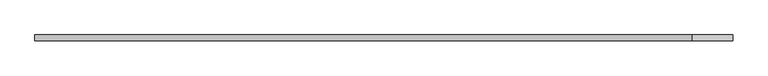
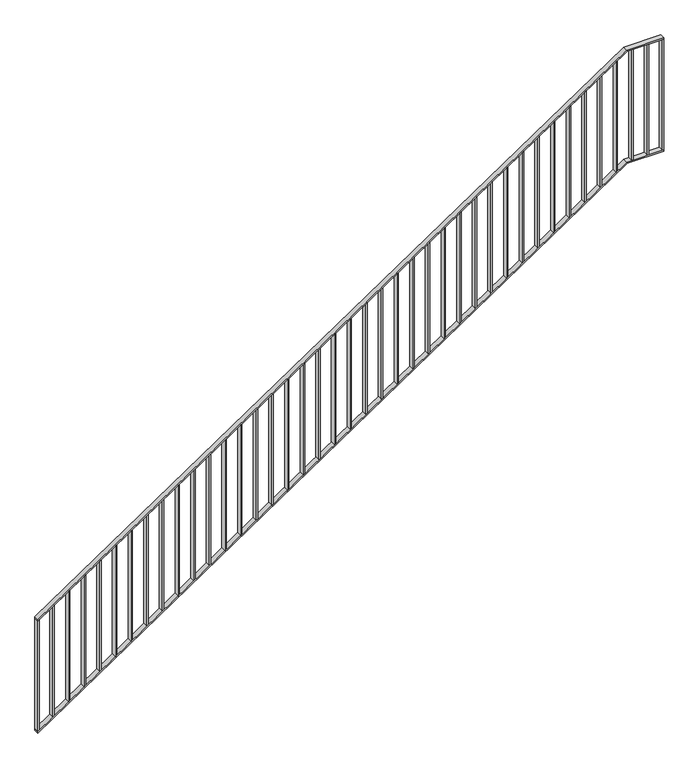
"""IFC4 building model written with IfcOpenShell, lengths in millimetres: railing geometry."""

from ifc_helpers import new_model, si_unit, frame, origin, place, context, project, spatial, polyline, outline, extrude, faceted_brep, source, transform, mapped, element, save


def railing_a7100279(model_context):
    return source(origin(), model_context, "Body", "SolidModel", [
        faceted_brep([(2740.0, 4014.6, 1188.2352941), (2740.0, 4014.6, 1176.1856241), (2740.0, 3974.6, 1176.1856241), (2740.0, 3974.6, 1188.2352941), (7220.0, 4014.6, 4200.0), (7223.0488842, 4014.6, 4190.0), (7223.0488842, 3974.6, 4190.0), (7220.0, 3974.6, 4200.0), (7500.0, 4014.6, 4200.0), (7500.0, 3974.6, 4200.0), (7500.0, 3974.6, 4190.0), (7500.0, 4014.6, 4190.0)], [[[0, 1, 2, 3]], [[1, 0, 4, 5]], [[2, 1, 5, 6]], [[3, 2, 6, 7]], [[0, 3, 7, 4]], [[8, 9, 10, 11]], [[5, 4, 8, 11]], [[6, 5, 11, 10]], [[7, 6, 10, 9]], [[4, 7, 9, 8]]]),
        faceted_brep([(2740.0, 4014.6, 288.2352941), (2740.0, 4014.6, 276.1856241), (2740.0, 3974.6, 276.1856241), (2740.0, 3974.6, 288.2352941), (7220.0, 4014.6, 3300.0), (7223.0488842, 4014.6, 3290.0), (7223.0488842, 3974.6, 3290.0), (7220.0, 3974.6, 3300.0), (7500.0, 4014.6, 3300.0), (7500.0, 3974.6, 3300.0), (7500.0, 3974.6, 3290.0), (7500.0, 4014.6, 3290.0)], [[[0, 1, 2, 3]], [[1, 0, 4, 5]], [[2, 1, 5, 6]], [[3, 2, 6, 7]], [[0, 3, 7, 4]], [[8, 9, 10, 11]], [[5, 4, 8, 11]], [[6, 5, 11, 10]], [[7, 6, 10, 9]], [[4, 7, 9, 8]]]),
        extrude(outline(polyline([(7376.0, 4014.6), (7386.0, 4014.6), (7386.0, 3974.6), (7376.0, 3974.6), (7376.0, 4014.6)])), frame((0.0, 0.0, 3300.0), z_axis=(0.0, 0.0, 1.0), x_axis=(1.0, 0.0, 0.0)), (0.0, 0.0, 1.0), 890.0),
        extrude(outline(polyline([(7257.0, 4014.6), (7267.0, 4014.6), (7267.0, 3974.6), (7257.0, 3974.6), (7257.0, 4014.6)])), frame((0.0, 0.0, 3300.0), z_axis=(0.0, 0.0, 1.0), x_axis=(1.0, 0.0, 0.0)), (0.0, 0.0, 1.0), 890.0),
        extrude(outline(polyline([(3244.8739496, 7138.0), (3251.5966387, 7148.0), (4141.5966387, 7148.0), (4134.8739496, 7138.0), (3244.8739496, 7138.0)])), frame((0.0, 3974.6, 0.0), z_axis=(0.0, 1.0, 0.0), x_axis=(0.0, 0.0, 1.0)), (0.0, 0.0, 1.0), 40.0),
        extrude(outline(polyline([(3164.8739496, 7019.0), (3171.5966387, 7029.0), (4061.5966387, 7029.0), (4054.8739496, 7019.0), (3164.8739496, 7019.0)])), frame((0.0, 3974.6, 0.0), z_axis=(0.0, 1.0, 0.0), x_axis=(0.0, 0.0, 1.0)), (0.0, 0.0, 1.0), 40.0),
        extrude(outline(polyline([(3084.8739496, 6900.0), (3091.5966387, 6910.0), (3981.5966387, 6910.0), (3974.8739496, 6900.0), (3084.8739496, 6900.0)])), frame((0.0, 3974.6, 0.0), z_axis=(0.0, 1.0, 0.0), x_axis=(0.0, 0.0, 1.0)), (0.0, 0.0, 1.0), 40.0),
        extrude(outline(polyline([(3004.8739496, 6781.0), (3011.5966387, 6791.0), (3901.5966387, 6791.0), (3894.8739496, 6781.0), (3004.8739496, 6781.0)])), frame((0.0, 3974.6, 0.0), z_axis=(0.0, 1.0, 0.0), x_axis=(0.0, 0.0, 1.0)), (0.0, 0.0, 1.0), 40.0),
        extrude(outline(polyline([(2924.8739496, 6662.0), (2931.5966387, 6672.0), (3821.5966387, 6672.0), (3814.8739496, 6662.0), (2924.8739496, 6662.0)])), frame((0.0, 3974.6, 0.0), z_axis=(0.0, 1.0, 0.0), x_axis=(0.0, 0.0, 1.0)), (0.0, 0.0, 1.0), 40.0),
        extrude(outline(polyline([(2844.8739496, 6543.0), (2851.5966387, 6553.0), (3741.5966387, 6553.0), (3734.8739496, 6543.0), (2844.8739496, 6543.0)])), frame((0.0, 3974.6, 0.0), z_axis=(0.0, 1.0, 0.0), x_axis=(0.0, 0.0, 1.0)), (0.0, 0.0, 1.0), 40.0),
        extrude(outline(polyline([(2764.8739496, 6424.0), (2771.5966387, 6434.0), (3661.5966387, 6434.0), (3654.8739496, 6424.0), (2764.8739496, 6424.0)])), frame((0.0, 3974.6, 0.0), z_axis=(0.0, 1.0, 0.0), x_axis=(0.0, 0.0, 1.0)), (0.0, 0.0, 1.0), 40.0),
        extrude(outline(polyline([(2684.8739496, 6305.0), (2691.5966387, 6315.0), (3581.5966387, 6315.0), (3574.8739496, 6305.0), (2684.8739496, 6305.0)])), frame((0.0, 3974.6, 0.0), z_axis=(0.0, 1.0, 0.0), x_axis=(0.0, 0.0, 1.0)), (0.0, 0.0, 1.0), 40.0),
        extrude(outline(polyline([(2604.8739496, 6186.0), (2611.5966387, 6196.0), (3501.5966387, 6196.0), (3494.8739496, 6186.0), (2604.8739496, 6186.0)])), frame((0.0, 3974.6, 0.0), z_axis=(0.0, 1.0, 0.0), x_axis=(0.0, 0.0, 1.0)), (0.0, 0.0, 1.0), 40.0),
        extrude(outline(polyline([(2524.8739496, 6067.0), (2531.5966387, 6077.0), (3421.5966387, 6077.0), (3414.8739496, 6067.0), (2524.8739496, 6067.0)])), frame((0.0, 3974.6, 0.0), z_axis=(0.0, 1.0, 0.0), x_axis=(0.0, 0.0, 1.0)), (0.0, 0.0, 1.0), 40.0),
        extrude(outline(polyline([(2444.8739496, 5948.0), (2451.5966387, 5958.0), (3341.5966387, 5958.0), (3334.8739496, 5948.0), (2444.8739496, 5948.0)])), frame((0.0, 3974.6, 0.0), z_axis=(0.0, 1.0, 0.0), x_axis=(0.0, 0.0, 1.0)), (0.0, 0.0, 1.0), 40.0),
        extrude(outline(polyline([(2364.8739496, 5829.0), (2371.5966387, 5839.0), (3261.5966387, 5839.0), (3254.8739496, 5829.0), (2364.8739496, 5829.0)])), frame((0.0, 3974.6, 0.0), z_axis=(0.0, 1.0, 0.0), x_axis=(0.0, 0.0, 1.0)), (0.0, 0.0, 1.0), 40.0),
        extrude(outline(polyline([(2284.8739496, 5710.0), (2291.5966387, 5720.0), (3181.5966387, 5720.0), (3174.8739496, 5710.0), (2284.8739496, 5710.0)])), frame((0.0, 3974.6, 0.0), z_axis=(0.0, 1.0, 0.0), x_axis=(0.0, 0.0, 1.0)), (0.0, 0.0, 1.0), 40.0),
        extrude(outline(polyline([(2204.8739496, 5591.0), (2211.5966387, 5601.0), (3101.5966387, 5601.0), (3094.8739496, 5591.0), (2204.8739496, 5591.0)])), frame((0.0, 3974.6, 0.0), z_axis=(0.0, 1.0, 0.0), x_axis=(0.0, 0.0, 1.0)), (0.0, 0.0, 1.0), 40.0),
        extrude(outline(polyline([(2124.8739496, 5472.0), (2131.5966387, 5482.0), (3021.5966387, 5482.0), (3014.8739496, 5472.0), (2124.8739496, 5472.0)])), frame((0.0, 3974.6, 0.0), z_axis=(0.0, 1.0, 0.0), x_axis=(0.0, 0.0, 1.0)), (0.0, 0.0, 1.0), 40.0),
        extrude(outline(polyline([(2044.8739496, 5353.0), (2051.5966387, 5363.0), (2941.5966387, 5363.0), (2934.8739496, 5353.0), (2044.8739496, 5353.0)])), frame((0.0, 3974.6, 0.0), z_axis=(0.0, 1.0, 0.0), x_axis=(0.0, 0.0, 1.0)), (0.0, 0.0, 1.0), 40.0),
        extrude(outline(polyline([(1964.8739496, 5234.0), (1971.5966387, 5244.0), (2861.5966387, 5244.0), (2854.8739496, 5234.0), (1964.8739496, 5234.0)])), frame((0.0, 3974.6, 0.0), z_axis=(0.0, 1.0, 0.0), x_axis=(0.0, 0.0, 1.0)), (0.0, 0.0, 1.0), 40.0),
        extrude(outline(polyline([(1884.8739496, 5115.0), (1891.5966387, 5125.0), (2781.5966387, 5125.0), (2774.8739496, 5115.0), (1884.8739496, 5115.0)])), frame((0.0, 3974.6, 0.0), z_axis=(0.0, 1.0, 0.0), x_axis=(0.0, 0.0, 1.0)), (0.0, 0.0, 1.0), 40.0),
        extrude(outline(polyline([(1804.8739496, 4996.0), (1811.5966387, 5006.0), (2701.5966387, 5006.0), (2694.8739496, 4996.0), (1804.8739496, 4996.0)])), frame((0.0, 3974.6, 0.0), z_axis=(0.0, 1.0, 0.0), x_axis=(0.0, 0.0, 1.0)), (0.0, 0.0, 1.0), 40.0),
        extrude(outline(polyline([(1724.8739496, 4877.0), (1731.5966387, 4887.0), (2621.5966387, 4887.0), (2614.8739496, 4877.0), (1724.8739496, 4877.0)])), frame((0.0, 3974.6, 0.0), z_axis=(0.0, 1.0, 0.0), x_axis=(0.0, 0.0, 1.0)), (0.0, 0.0, 1.0), 40.0),
        extrude(outline(polyline([(1644.8739496, 4758.0), (1651.5966387, 4768.0), (2541.5966387, 4768.0), (2534.8739496, 4758.0), (1644.8739496, 4758.0)])), frame((0.0, 3974.6, 0.0), z_axis=(0.0, 1.0, 0.0), x_axis=(0.0, 0.0, 1.0)), (0.0, 0.0, 1.0), 40.0),
        extrude(outline(polyline([(1564.8739496, 4639.0), (1571.5966387, 4649.0), (2461.5966387, 4649.0), (2454.8739496, 4639.0), (1564.8739496, 4639.0)])), frame((0.0, 3974.6, 0.0), z_axis=(0.0, 1.0, 0.0), x_axis=(0.0, 0.0, 1.0)), (0.0, 0.0, 1.0), 40.0),
        extrude(outline(polyline([(1484.8739496, 4520.0), (1491.5966387, 4530.0), (2381.5966387, 4530.0), (2374.8739496, 4520.0), (1484.8739496, 4520.0)])), frame((0.0, 3974.6, 0.0), z_axis=(0.0, 1.0, 0.0), x_axis=(0.0, 0.0, 1.0)), (0.0, 0.0, 1.0), 40.0),
        extrude(outline(polyline([(1404.8739496, 4401.0), (1411.5966387, 4411.0), (2301.5966387, 4411.0), (2294.8739496, 4401.0), (1404.8739496, 4401.0)])), frame((0.0, 3974.6, 0.0), z_axis=(0.0, 1.0, 0.0), x_axis=(0.0, 0.0, 1.0)), (0.0, 0.0, 1.0), 40.0),
        extrude(outline(polyline([(1324.8739496, 4282.0), (1331.5966387, 4292.0), (2221.5966387, 4292.0), (2214.8739496, 4282.0), (1324.8739496, 4282.0)])), frame((0.0, 3974.6, 0.0), z_axis=(0.0, 1.0, 0.0), x_axis=(0.0, 0.0, 1.0)), (0.0, 0.0, 1.0), 40.0),
        extrude(outline(polyline([(1244.8739496, 4163.0), (1251.5966387, 4173.0), (2141.5966387, 4173.0), (2134.8739496, 4163.0), (1244.8739496, 4163.0)])), frame((0.0, 3974.6, 0.0), z_axis=(0.0, 1.0, 0.0), x_axis=(0.0, 0.0, 1.0)), (0.0, 0.0, 1.0), 40.0),
        extrude(outline(polyline([(1164.8739496, 4044.0), (1171.5966387, 4054.0), (2061.5966387, 4054.0), (2054.8739496, 4044.0), (1164.8739496, 4044.0)])), frame((0.0, 3974.6, 0.0), z_axis=(0.0, 1.0, 0.0), x_axis=(0.0, 0.0, 1.0)), (0.0, 0.0, 1.0), 40.0),
        extrude(outline(polyline([(1084.8739496, 3925.0), (1091.5966387, 3935.0), (1981.5966387, 3935.0), (1974.8739496, 3925.0), (1084.8739496, 3925.0)])), frame((0.0, 3974.6, 0.0), z_axis=(0.0, 1.0, 0.0), x_axis=(0.0, 0.0, 1.0)), (0.0, 0.0, 1.0), 40.0),
        extrude(outline(polyline([(1004.8739496, 3806.0), (1011.5966387, 3816.0), (1901.5966387, 3816.0), (1894.8739496, 3806.0), (1004.8739496, 3806.0)])), frame((0.0, 3974.6, 0.0), z_axis=(0.0, 1.0, 0.0), x_axis=(0.0, 0.0, 1.0)), (0.0, 0.0, 1.0), 40.0),
        extrude(outline(polyline([(924.8739496, 3687.0), (931.5966387, 3697.0), (1821.5966387, 3697.0), (1814.8739496, 3687.0), (924.8739496, 3687.0)])), frame((0.0, 3974.6, 0.0), z_axis=(0.0, 1.0, 0.0), x_axis=(0.0, 0.0, 1.0)), (0.0, 0.0, 1.0), 40.0),
        extrude(outline(polyline([(844.8739496, 3568.0), (851.5966387, 3578.0), (1741.5966387, 3578.0), (1734.8739496, 3568.0), (844.8739496, 3568.0)])), frame((0.0, 3974.6, 0.0), z_axis=(0.0, 1.0, 0.0), x_axis=(0.0, 0.0, 1.0)), (0.0, 0.0, 1.0), 40.0),
        extrude(outline(polyline([(764.8739496, 3449.0), (771.5966387, 3459.0), (1661.5966387, 3459.0), (1654.8739496, 3449.0), (764.8739496, 3449.0)])), frame((0.0, 3974.6, 0.0), z_axis=(0.0, 1.0, 0.0), x_axis=(0.0, 0.0, 1.0)), (0.0, 0.0, 1.0), 40.0),
        extrude(outline(polyline([(684.8739496, 3330.0), (691.5966387, 3340.0), (1581.5966387, 3340.0), (1574.8739496, 3330.0), (684.8739496, 3330.0)])), frame((0.0, 3974.6, 0.0), z_axis=(0.0, 1.0, 0.0), x_axis=(0.0, 0.0, 1.0)), (0.0, 0.0, 1.0), 40.0),
        extrude(outline(polyline([(604.8739496, 3211.0), (611.5966387, 3221.0), (1501.5966387, 3221.0), (1494.8739496, 3211.0), (604.8739496, 3211.0)])), frame((0.0, 3974.6, 0.0), z_axis=(0.0, 1.0, 0.0), x_axis=(0.0, 0.0, 1.0)), (0.0, 0.0, 1.0), 40.0),
        extrude(outline(polyline([(524.8739496, 3092.0), (531.5966387, 3102.0), (1421.5966387, 3102.0), (1414.8739496, 3092.0), (524.8739496, 3092.0)])), frame((0.0, 3974.6, 0.0), z_axis=(0.0, 1.0, 0.0), x_axis=(0.0, 0.0, 1.0)), (0.0, 0.0, 1.0), 40.0),
        extrude(outline(polyline([(444.8739496, 2973.0), (451.5966387, 2983.0), (1341.5966387, 2983.0), (1334.8739496, 2973.0), (444.8739496, 2973.0)])), frame((0.0, 3974.6, 0.0), z_axis=(0.0, 1.0, 0.0), x_axis=(0.0, 0.0, 1.0)), (0.0, 0.0, 1.0), 40.0),
        extrude(outline(polyline([(364.8739496, 2854.0), (371.5966387, 2864.0), (1261.5966387, 2864.0), (1254.8739496, 2854.0), (364.8739496, 2854.0)])), frame((0.0, 3974.6, 0.0), z_axis=(0.0, 1.0, 0.0), x_axis=(0.0, 0.0, 1.0)), (0.0, 0.0, 1.0), 40.0),
        extrude(outline(polyline([(7490.0, 4014.6), (7500.0, 4014.6), (7500.0, 3974.6), (7490.0, 3974.6), (7490.0, 4014.6)])), frame((0.0, 0.0, 3300.0), z_axis=(0.0, 0.0, 1.0), x_axis=(1.0, 0.0, 0.0)), (0.0, 0.0, 1.0), 890.0),
        extrude(outline(polyline([(288.2352941, 2740.0), (294.9579832, 2750.0), (1184.9579832, 2750.0), (1178.2352941, 2740.0), (288.2352941, 2740.0)])), frame((0.0, 3974.6, 0.0), z_axis=(0.0, 1.0, 0.0), x_axis=(0.0, 0.0, 1.0)), (0.0, 0.0, 1.0), 40.0),
    ])


if __name__ == "__main__":
    model = new_model("IFC4")
    model_context = context("Model", 3, world=origin())
    ifc_project = project(units=[si_unit("LENGTHUNIT", "METRE", prefix="MILLI")], contexts=[model_context])
    site = spatial("IfcSite", under=ifc_project)
    building = spatial("IfcBuilding", under=site)
    placement = place(None, origin())
    railing_shape = railing_a7100279(model_context)
    element("IfcRailing", 1, at=placement, inside=building, context=model_context, shape_type="MappedRepresentation", body=[
        mapped(railing_shape, transform((0.0, 0.0, 0.0), x_axis=(1.0, 0.0, 0.0), y_axis=(0.0, 1.0, 0.0), z_axis=(0.0, 0.0, 1.0))),
    ])
    save(model, "model.ifc")
